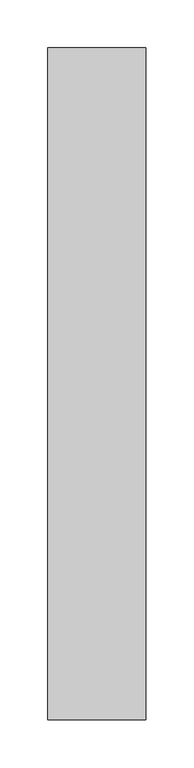
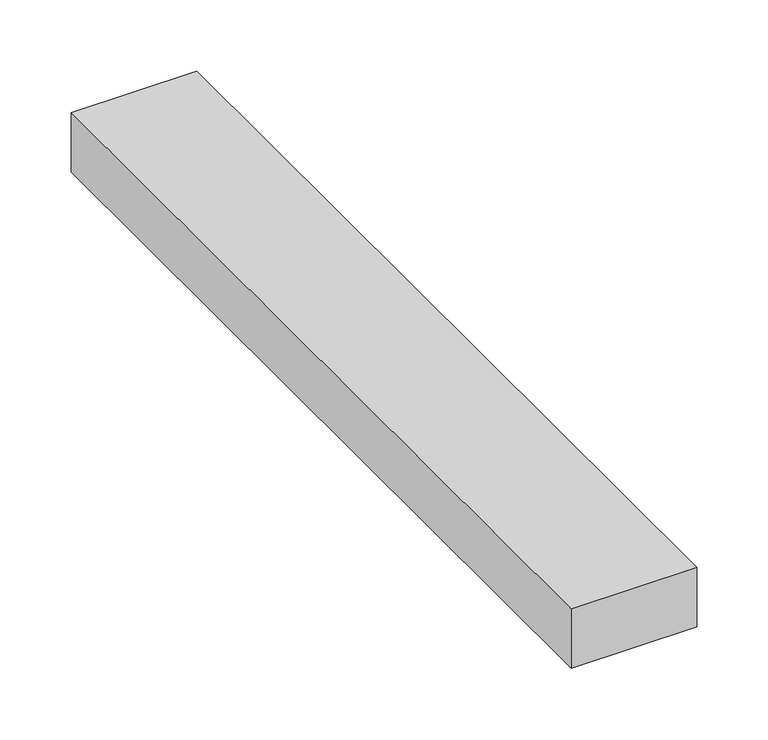
"""IFC4 building model written with IfcOpenShell, lengths in millimetres: proxy geometry."""

from ifc_helpers import new_model, si_unit, origin, origin_with_axes, place, context, project, spatial, polyline, outline, extrude, source, transform, mapped, element, save


def generic_models_37ad4201(model_context):
    return source(origin(), model_context, "Body", "SweptSolid", [
        extrude(outline(polyline([(101.6, 0.0), (0.0, 0.0), (0.0, 700.0), (101.6, 700.0), (101.6, 0.0)])), origin_with_axes(), (0.0, 0.0, 1.0), 50.8),
    ])


if __name__ == "__main__":
    model = new_model("IFC4")
    model_context = context("Model", 3, world=origin())
    ifc_project = project(units=[si_unit("LENGTHUNIT", "METRE", prefix="MILLI")], contexts=[model_context])
    site = spatial("IfcSite", under=ifc_project)
    building = spatial("IfcBuilding", under=site)
    placement = place(None, origin())
    generic_models_shape = generic_models_37ad4201(model_context)
    element("IfcBuildingElementProxy", 1, Name="Generic Models", at=placement, inside=building, context=model_context, shape_type="MappedRepresentation", body=[
        mapped(generic_models_shape, transform((0.0, 0.0, 0.0), x_axis=(1.0, 0.0, 0.0), y_axis=(0.0, 1.0, 0.0), z_axis=(0.0, 0.0, 1.0))),
    ])
    save(model, "model.ifc")
